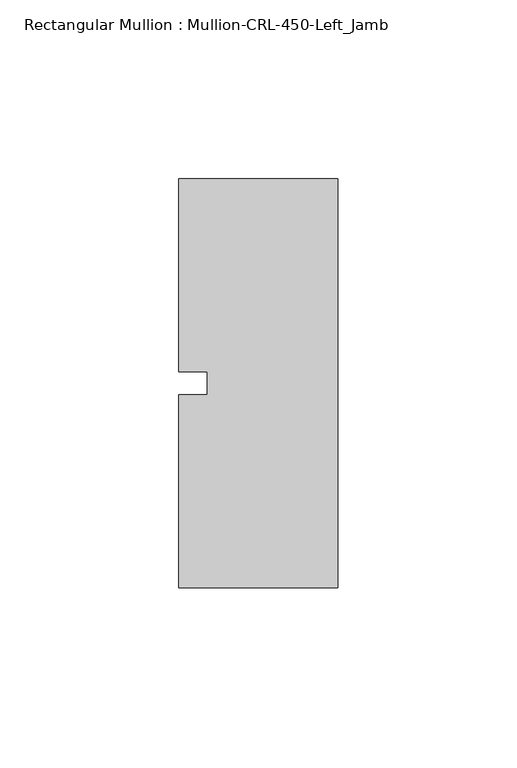
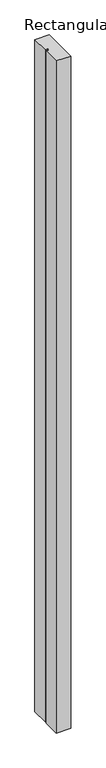
"""IFC4 building model written with IfcOpenShell, lengths in millimetres: member geometry, Rectangular Mullion : Mullion-CRL-450-Left_Jamb."""

from ifc_helpers import new_model, si_unit, frame, origin, place, context, project, spatial, polyline, outline, extrude, source, transform, mapped, element, save


def rectangular_mullion_mullion_crl_450_left_jamb_a88dd34a(model_context):
    return source(origin(), model_context, "Body", "SweptSolid", [
        extrude(outline(polyline([(0.0, 57.15), (0.0, -57.15), (-44.45, -57.15), (-44.45, -3.175), (-36.5125, -3.175), (-36.5125, 3.175), (-44.45, 3.175), (-44.45, 57.15), (0.0, 57.15)])), frame((0.0, 0.0, -2193.925), z_axis=(0.0, 0.0, 1.0), x_axis=(1.0, 0.0, 0.0)), (0.0, 0.0, 1.0), 2193.925),
    ])


if __name__ == "__main__":
    model = new_model("IFC4")
    model_context = context("Model", 3, world=origin())
    ifc_project = project(units=[si_unit("LENGTHUNIT", "METRE", prefix="MILLI")], contexts=[model_context])
    site = spatial("IfcSite", under=ifc_project)
    building = spatial("IfcBuilding", under=site)
    placement = place(None, origin())
    rectangular_mullion_mullion_crl_450_left_jamb_shape = rectangular_mullion_mullion_crl_450_left_jamb_a88dd34a(model_context)
    element("IfcMember", 1, ObjectType="Rectangular Mullion : Mullion-CRL-450-Left_Jamb", at=placement, inside=building, context=model_context, shape_type="MappedRepresentation", body=[
        mapped(rectangular_mullion_mullion_crl_450_left_jamb_shape, transform((0.0, 0.0, 0.0), x_axis=(1.0, 0.0, 0.0), y_axis=(0.0, 1.0, 0.0), z_axis=(0.0, 0.0, 1.0))),
    ])
    save(model, "model.ifc")
